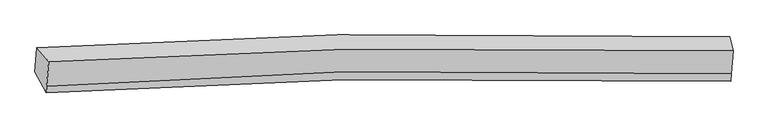
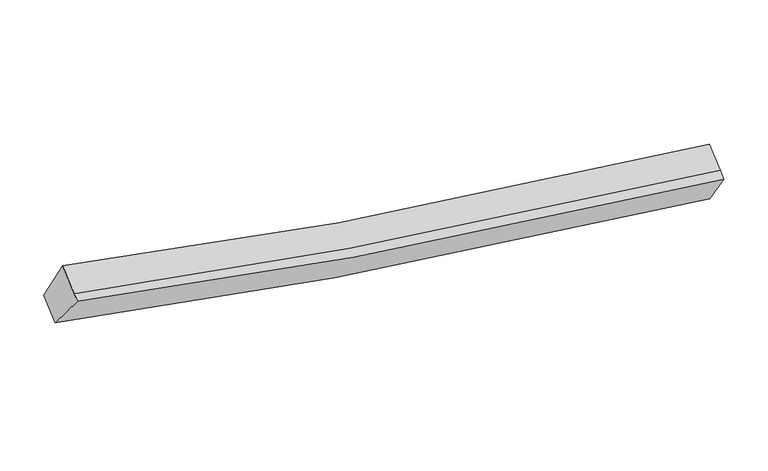
"""IFC4 building model written with IfcOpenShell, lengths in millimetres: proxy geometry."""

from ifc_helpers import new_model, si_unit, frame, origin, place, context, project, spatial, source, transform, mapped, element, save
from ifc_brep_helpers import plane_surface, spline_curve, spline_surface, advanced_brep


def generic_models_1c77b8b7(model_context):
    return source(origin(), model_context, "Body", "AdvancedBrep", [
        advanced_brep(
        [(-5380.1839906, -1827.6983115, 3961.24427), (-5175.4565303, -2070.9201303, 4602.0396564), (6737.6133202, -1886.828673, 2657.7922366), (6681.77702, -1638.6111022, 1989.2421199), (-5210.9398124, -2498.9278687, 4334.6485681), (6704.9355245, -2280.9959705, 2411.5424303), (-5220.759015, -2617.3694118, 4260.6540809), (6693.7135787, -2416.357734, 2326.9773021), (-5415.1572659, -2249.5542271, 3697.696436), (6648.2064879, -2043.5467974, 1736.2649269)],
        [
            (0, 1),
            (1, 2, spline_curve(3, [(-5175.4565303, -2070.9201303, 4602.0396564), (-3464.859630997, -1964.158593216, 4165.063821697), (-1742.314837754, -1892.367488245, 3795.199039065), (2220.928953032, -1808.23378038, 3103.419330571), (4469.407443344, -1818.661065883, 2825.201640222), (6737.6133202, -1886.828673, 2657.7922366)], [4, 2, 4], [0.0, 17.467879169056292, 39.9133788015932])),
            (2, 3),
            (3, 0, spline_curve(3, [(6681.77702, -1638.6111022, 1989.2421199), (4385.014883171, -1569.743568838, 2159.320632356), (2108.343611841, -1559.536589291, 2441.63219533), (-1904.387228682, -1645.698440952, 3143.225335756), (-3648.369627057, -1718.934490818, 3518.247823307), (-5380.1839906, -1827.6983115, 3961.24427)], [4, 2, 4], [0.0, 22.445499632536904, 39.9133788015932])),
            (1, 4),
            (4, 5, spline_curve(3, [(-5210.9398124, -2498.9278687, 4334.6485681), (-3498.998482226, -2375.949487951, 3907.80395103), (-1775.518526919, -2292.87823601, 3544.986262217), (2188.926908605, -2194.250007609, 2862.261776921), (4437.405398498, -2204.677292808, 2584.044086753), (6704.9355245, -2280.9959705, 2411.5424303)], [4, 2, 4], [0.0, 17.358749572707655, 39.664022203956314])),
            (5, 2),
            (4, 6),
            (6, 7, spline_curve(3, [(-5220.759015, -2617.3694118, 4260.6540809), (-3509.48990032, -2502.499453016, 3828.743854995), (-1786.477525667, -2425.068274501, 3462.402619459), (2177.367086757, -2333.687306314, 2775.15052218), (4425.845577621, -2344.1145916, 2496.93283205), (6693.7135787, -2416.357734, 2326.9773021)], [4, 2, 4], [0.0, 17.358697432204867, 39.663903065071814])),
            (7, 5),
            (6, 8),
            (8, 9, spline_curve(3, [(-5415.1572659, -2249.5542271, 3697.696436), (-3682.670686641, -2132.681984467, 3259.765597943), (-1938.220707072, -2053.805861619, 2888.266657312), (2075.110954808, -1960.396748698, 2191.201128874), (4351.782226789, -1970.603728863, 1908.889565827), (6648.2064879, -2043.5467974, 1736.2649269)], [4, 2, 4], [0.0, 17.467685384608224, 39.912936012173446])),
            (9, 7),
            (8, 0),
            (3, 9),
        ],
        [
            spline_surface(3, 3, [[(-5380.1839906, -1827.6983115, 3961.24427), (-3648.369626774, -1718.934490927, 3518.247823063), (-1904.387228475, -1645.698441187, 3143.225335737), (2108.343611576, -1559.53658899, 2441.632195355), (4385.014883514, -1569.743568971, 2159.320632675), (6681.77702, -1638.6111022, 1989.2421199)], [(-5311.941503833, -1908.772251105, 4174.842732137), (-3587.199628193, -1800.675858358, 3733.853156001), (-1850.363098223, -1727.921456943, 3360.549903507), (2145.872058749, -1642.435652733, 2662.227907096), (4413.145736781, -1652.716067939, 2381.280968504), (6700.389120065, -1721.350292457, 2212.092158799)], [(-5243.699017067, -1989.846190695, 4388.441194263), (-3526.029629615, -1882.417225773, 3949.45848893), (-1796.338968018, -1810.144472652, 3577.874471285), (2183.400505874, -1725.334716427, 2882.823618844), (4441.276590053, -1735.688566935, 2603.241304338), (6719.001220135, -1804.089482743, 2434.942197701)], [(-5175.4565303, -2070.9201303, 4602.0396564), (-3464.859631034, -1964.158593204, 4165.063821868), (-1742.314837766, -1892.367488408, 3795.199039055), (2220.928953047, -1808.23378017, 3103.419330584), (4469.40744332, -1818.661065903, 2825.201640168), (6737.6133202, -1886.828673, 2657.7922366)]], [4, 4], [4, 2, 4], [0.0, 2.346858473405856], [0.0, 17.467879169056292, 39.9133788015932]),
            spline_surface(3, 3, [[(-5175.4565303, -2070.9201303, 4602.0396564), (-3464.859631034, -1964.158593204, 4165.063821868), (-1742.314837766, -1892.367488408, 3795.199039055), (2220.928953047, -1808.23378017, 3103.419330584), (4469.40744332, -1818.661065903, 2825.201640168), (6737.6133202, -1886.828673, 2657.7922366)], [(-5187.284291013, -2213.589376432, 4512.909293614), (-3476.239248107, -2101.422224793, 4079.310531565), (-1753.382734122, -2025.871071011, 3711.79478009), (2210.261604872, -1936.905855906, 3023.033479381), (4458.740095146, -1947.333141639, 2744.815788964), (6726.720721638, -2018.217772172, 2575.708967831)], [(-5199.112051687, -2356.258622568, 4423.778930886), (-3487.61886514, -2238.685856387, 3993.55724132), (-1764.45063049, -2159.374653598, 3628.390521133), (2199.594256685, -2065.577931627, 2942.647628186), (4448.072746959, -2076.00521736, 2664.429937769), (6715.828123062, -2149.606871328, 2493.625699069)], [(-5210.9398124, -2498.9278687, 4334.6485681), (-3498.998482213, -2375.949487976, 3907.803951017), (-1775.518526846, -2292.878236201, 3544.986262169), (2188.926908511, -2194.250007363, 2862.261776982), (4437.405398784, -2204.677293096, 2584.044086566), (6704.9355245, -2280.9959705, 2411.5424303)]], [4, 4], [4, 2, 4], [0.0, 1.519236011821798], [0.0, 17.358749572707655, 39.664022203956314]),
            spline_surface(3, 3, [[(-5210.9398124, -2498.9278687, 4334.6485681), (-3498.998482213, -2375.949487976, 3907.803951017), (-1775.518526846, -2292.878236201, 3544.986262169), (2188.926908511, -2194.250007363, 2862.261776982), (4437.405398784, -2204.677293096, 2584.044086566), (6704.9355245, -2280.9959705, 2411.5424303)], [(-5214.212879928, -2538.408383061, 4309.98373904), (-3502.495621561, -2418.132809608, 3881.450585716), (-1779.171526552, -2336.941582326, 3517.458381198), (2185.073634714, -2240.729106922, 2833.224692131), (4433.552124988, -2251.156392655, 2555.007001714), (6701.194875897, -2326.116558341, 2383.354054232)], [(-5217.485947472, -2577.888897439, 4285.31890996), (-3505.992760926, -2460.316131258, 3855.097220394), (-1782.82452625, -2381.004928529, 3489.930500233), (2181.220360926, -2287.208206558, 2804.187607285), (4429.698851199, -2297.635492191, 2525.969916868), (6697.454227303, -2371.237146159, 2355.165678168)], [(-5220.759015, -2617.3694118, 4260.6540809), (-3509.489900273, -2502.49945289, 3828.743855093), (-1786.477525956, -2425.068274655, 3462.402619262), (2177.367087129, -2333.687306117, 2775.150522433), (4425.845577402, -2344.11459175, 2496.932832017), (6693.7135787, -2416.357734, 2326.9773021)]], [4, 4], [4, 2, 4], [0.0, 0.5296088991066235], [0.0, 17.358697432204867, 39.663903065071814]),
            spline_surface(3, 3, [[(-5220.759015, -2617.3694118, 4260.6540809), (-3509.489900273, -2502.49945289, 3828.743855093), (-1786.477525956, -2425.068274655, 3462.402619262), (2177.367087129, -2333.687306117, 2775.150522433), (4425.845577402, -2344.11459175, 2496.932832017), (6693.7135787, -2416.357734, 2326.9773021)], [(-5285.558431968, -2494.764350232, 4073.001532601), (-3567.216829054, -2379.226963497, 3639.084435992), (-1837.058586409, -2301.314136935, 3271.02396533), (2143.281709755, -2209.257120411, 2580.500724531), (4401.157793935, -2219.610970819, 2300.918410025), (6678.544548435, -2292.08742178, 2130.073177039)], [(-5350.357848932, -2372.159288668, 3885.348984299), (-3624.943757833, -2255.954474107, 3449.425016888), (-1887.639646813, -2177.559999153, 3079.645311376), (2109.196332431, -2084.826934642, 2385.850926607), (4376.470010463, -2095.107349948, 2104.903988015), (6663.375518165, -2167.81710962, 1933.169051961)], [(-5415.1572659, -2249.5542271, 3697.696436), (-3682.670686614, -2132.681984713, 3259.765597787), (-1938.220707266, -2053.805861433, 2888.266657444), (2075.110955058, -1960.396748937, 2191.201128704), (4351.782226996, -1970.603729018, 1908.889566024), (6648.2064879, -2043.5467974, 1736.2649269)]], [4, 4], [4, 2, 4], [0.0, 2.2965816278513533], [0.0, 17.467685384608224, 39.912936012173446]),
            spline_surface(3, 3, [[(-5415.1572659, -2249.5542271, 3697.696436), (-3682.670686614, -2132.681984713, 3259.765597787), (-1938.220707266, -2053.805861433, 2888.266657444), (2075.110955058, -1960.396748937, 2191.201128704), (4351.782226996, -1970.603729018, 1908.889566024), (6648.2064879, -2043.5467974, 1736.2649269)], [(-5403.499507459, -2108.93558857, 3785.545714008), (-3671.236999993, -1994.766153455, 3345.926339554), (-1926.942881003, -1917.770054668, 2973.252883541), (2086.188507229, -1826.776695605, 2274.678150921), (4362.859779167, -1836.983675686, 1992.36658824), (6659.396665266, -1908.56823235, 1820.5906579)], [(-5391.841749041, -1968.31695003, 3873.394991992), (-3659.803313395, -1856.850322186, 3432.087081296), (-1915.665054738, -1781.734247952, 3058.23910964), (2097.266059404, -1693.156642322, 2358.155173139), (4373.937331342, -1703.363622303, 2075.843610458), (6670.586842634, -1773.58966725, 1904.9163889)], [(-5380.1839906, -1827.6983115, 3961.24427), (-3648.369626774, -1718.934490927, 3518.247823063), (-1904.387228475, -1645.698441187, 3143.225335737), (2108.343611576, -1559.53658899, 2441.632195355), (4385.014883514, -1569.743568971, 2159.320632675), (6681.77702, -1638.6111022, 1989.2421199)]], [4, 4], [4, 2, 4], [0.0, 1.5656704902349967], [0.0, 17.576703129424214, 40.16203703370124]),
            plane_surface(frame((6690.3276017, -1996.3360766, 2177.5691464), z_axis=(0.9954167276269252, -0.024827047280646816, -0.0923534302764579), x_axis=(-0.06501012970815805, 0.5325870523712568, -0.8438748216897011))),
            plane_surface(frame((-5297.8892004, -2191.3855202, 4130.4086108), z_axis=(-0.95810069510639, -0.09037350738278246, 0.2718008226624536), x_axis=(-0.07013716130436479, -0.8460110220143817, -0.5285320512838809))),
        ],
        [
            (0, [[1, 2, 3, 4]]),
            (1, [[5, 6, 7, -2]]),
            (2, [[8, 9, 10, -6]]),
            (3, [[11, 12, 13, -9]]),
            (4, [[14, -4, 15, -12]]),
            (5, [[-13, -15, -3, -7, -10]]),
            (6, [[-14, -11, -8, -5, -1]]),
        ],
    ),
    ])


if __name__ == "__main__":
    model = new_model("IFC4")
    model_context = context("Model", 3, world=origin())
    ifc_project = project(units=[si_unit("LENGTHUNIT", "METRE", prefix="MILLI")], contexts=[model_context])
    site = spatial("IfcSite", under=ifc_project)
    building = spatial("IfcBuilding", under=site)
    placement = place(None, origin())
    generic_models_shape = generic_models_1c77b8b7(model_context)
    element("IfcBuildingElementProxy", 1, Name="Generic Models", at=placement, inside=building, context=model_context, shape_type="MappedRepresentation", body=[
        mapped(generic_models_shape, transform((0.0, 0.0, 0.0), x_axis=(1.0, 0.0, 0.0), y_axis=(0.0, 1.0, 0.0), z_axis=(0.0, 0.0, 1.0))),
    ])
    save(model, "model.ifc")
